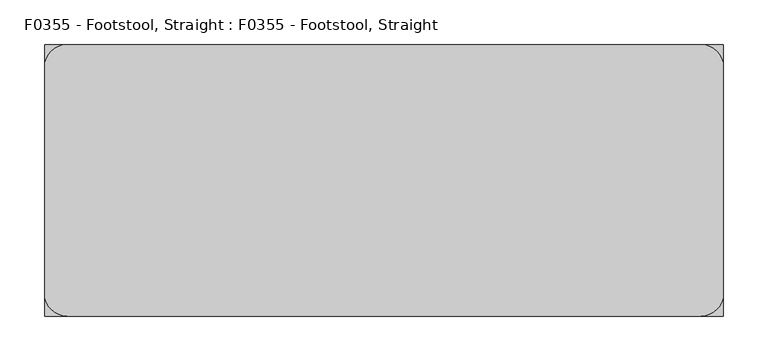
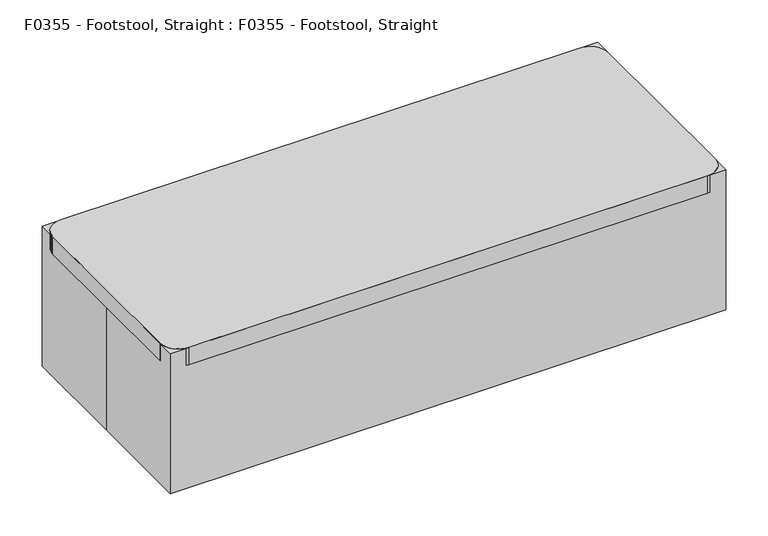
"""IFC4 building model written with IfcOpenShell, lengths in millimetres: proxy geometry, F0355 - Footstool, Straight : F0355 - Footstool, Straight."""

from ifc_helpers import new_model, si_unit, point, frame, frame_2d, origin, origin_with_axes, place, context, project, spatial, polyline, circle_curve, trimmed, segment, composite_curve, outline, extrude, source, transform, mapped, element, save


def f0355_footstool_straight_f0355_footstool_straight_84fa4ab6(model_context):
    return source(origin(), model_context, "Body", "SweptSolid", [
        extrude(outline(composite_curve([segment(trimmed(circle_curve(frame_2d((-333.6173743, -106.4770511)), 19.05), [point((-352.6673743, -106.4770511))], [point((-314.5673743, -106.4770511))], False, "CARTESIAN"), True, "CONTINUOUS"), segment(trimmed(circle_curve(frame_2d((-333.6173743, -106.4770511)), 19.05), [point((-314.5673743, -106.4770511))], [point((-352.6673743, -106.4770511))], False, "CARTESIAN"), True, "CONTINUOUS")], self_intersect=False)), origin_with_axes(), (0.0, 0.0, 1.0), 177.8),
        extrude(outline(composite_curve([segment(trimmed(circle_curve(frame_2d((-355.6, 127.0)), 25.4), [point((-381.0, 127.0))], [point((-355.6, 152.4))], False, "CARTESIAN"), True, "CONTINUOUS"), segment(polyline([(-355.6, 152.4), (355.6, 152.4)]), True, "CONTINUOUS"), segment(trimmed(circle_curve(frame_2d((355.6, 127.0)), 25.4), [point((355.6, 152.4))], [point((381.0, 127.0))], False, "CARTESIAN"), True, "CONTINUOUS"), segment(polyline([(381.0, 127.0), (381.0, -127.0)]), True, "CONTINUOUS"), segment(trimmed(circle_curve(frame_2d((355.6, -127.0)), 25.4), [point((381.0, -127.0))], [point((355.6, -152.4))], False, "CARTESIAN"), True, "CONTINUOUS"), segment(polyline([(355.6, -152.4), (-355.6, -152.4)]), True, "CONTINUOUS"), segment(trimmed(circle_curve(frame_2d((-355.6, -127.0)), 25.4), [point((-355.6, -152.4))], [point((-381.0, -127.0))], False, "CARTESIAN"), True, "CONTINUOUS"), segment(polyline([(-381.0, -127.0), (-381.0, 127.0)]), True, "CONTINUOUS")], self_intersect=False)), frame((0.0, 0.0, 177.8), z_axis=(0.0, 0.0, 1.0), x_axis=(1.0, 0.0, 0.0)), (0.0, 0.0, 1.0), 25.4),
        extrude(outline(composite_curve([segment(trimmed(circle_curve(frame_2d((333.6173743, 109.4229489)), 19.05), [point((314.5673743, 109.4229489))], [point((352.6673743, 109.4229489))], False, "CARTESIAN"), True, "CONTINUOUS"), segment(trimmed(circle_curve(frame_2d((333.6173743, 109.4229489)), 19.05), [point((352.6673743, 109.4229489))], [point((314.5673743, 109.4229489))], False, "CARTESIAN"), True, "CONTINUOUS")], self_intersect=False)), origin_with_axes(), (0.0, 0.0, 1.0), 177.8),
        extrude(outline(composite_curve([segment(trimmed(circle_curve(frame_2d((-333.6173743, 109.4229489)), 19.05), [point((-352.6673743, 109.4229489))], [point((-314.5673743, 109.4229489))], False, "CARTESIAN"), True, "CONTINUOUS"), segment(trimmed(circle_curve(frame_2d((-333.6173743, 109.4229489)), 19.05), [point((-314.5673743, 109.4229489))], [point((-352.6673743, 109.4229489))], False, "CARTESIAN"), True, "CONTINUOUS")], self_intersect=False)), origin_with_axes(), (0.0, 0.0, 1.0), 177.8),
        extrude(outline(composite_curve([segment(trimmed(circle_curve(frame_2d((333.6173743, -106.4770511)), 19.05), [point((314.5673743, -106.4770511))], [point((352.6673743, -106.4770511))], False, "CARTESIAN"), True, "CONTINUOUS"), segment(trimmed(circle_curve(frame_2d((333.6173743, -106.4770511)), 19.05), [point((352.6673743, -106.4770511))], [point((314.5673743, -106.4770511))], False, "CARTESIAN"), True, "CONTINUOUS")], self_intersect=False)), origin_with_axes(), (0.0, 0.0, 1.0), 177.8),
        extrude(outline(polyline([(-381.0, 152.4), (381.0, 152.4), (381.0, -152.4), (-381.0, -152.4), (-381.0, 0.0), (-381.0, 152.4)])), origin_with_axes(), (0.0, 0.0, 1.0), 203.2),
    ])


if __name__ == "__main__":
    model = new_model("IFC4")
    model_context = context("Model", 3, world=origin())
    ifc_project = project(units=[si_unit("LENGTHUNIT", "METRE", prefix="MILLI")], contexts=[model_context])
    site = spatial("IfcSite", under=ifc_project)
    building = spatial("IfcBuilding", under=site)
    placement = place(None, origin())
    f0355_footstool_straight_f0355_footstool_straight_shape = f0355_footstool_straight_f0355_footstool_straight_84fa4ab6(model_context)
    element("IfcBuildingElementProxy", 1, Name="F0355 - Footstool, Straight : F0355 - Footstool, Straight", ObjectType="F0355 - Footstool, Straight : F0355 - Footstool, Straight", at=placement, inside=building, context=model_context, shape_type="MappedRepresentation", body=[
        mapped(f0355_footstool_straight_f0355_footstool_straight_shape, transform((0.0, 0.0, 0.0), x_axis=(1.0, 0.0, 0.0), y_axis=(0.0, 1.0, 0.0), z_axis=(0.0, 0.0, 1.0))),
    ])
    save(model, "model.ifc")
